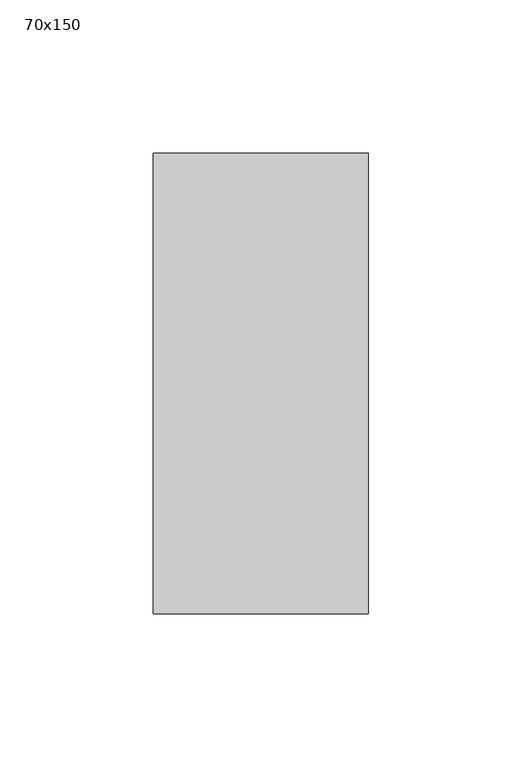
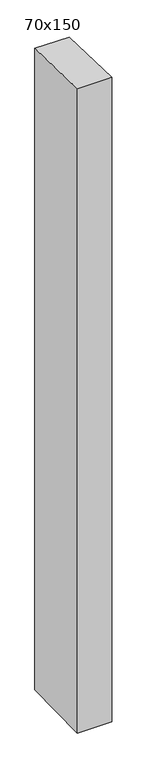
"""IFC4 building model written with IfcOpenShell, lengths in millimetres: member geometry, 70x150."""

from ifc_helpers import new_model, si_unit, frame, origin, place, context, project, spatial, polyline, outline, extrude, source, transform, mapped, element, save


def member_70x150_b46a4292(model_context):
    return source(origin(), model_context, "Body", "SweptSolid", [
        extrude(outline(polyline([(-75.0, 2.2718492), (75.0, -2.2718492), (75.0, -1384.5853628), (-75.0, -1386.5413288), (-75.0, 2.2718492)])), frame((-35.0, 0.0, 0.0), z_axis=(1.0, 0.0, 0.0), x_axis=(0.0, 1.0, 0.0)), (0.0, 0.0, 1.0), 70.0),
    ])


if __name__ == "__main__":
    model = new_model("IFC4")
    model_context = context("Model", 3, world=origin())
    ifc_project = project(units=[si_unit("LENGTHUNIT", "METRE", prefix="MILLI")], contexts=[model_context])
    site = spatial("IfcSite", under=ifc_project)
    building = spatial("IfcBuilding", under=site)
    placement = place(None, origin())
    member_70x150_shape = member_70x150_b46a4292(model_context)
    element("IfcMember", 1, ObjectType="70x150", at=placement, inside=building, context=model_context, shape_type="MappedRepresentation", body=[
        mapped(member_70x150_shape, transform((0.0, 0.0, 0.0), x_axis=(1.0, 0.0, 0.0), y_axis=(0.0, 1.0, 0.0), z_axis=(0.0, 0.0, 1.0))),
    ])
    save(model, "model.ifc")
